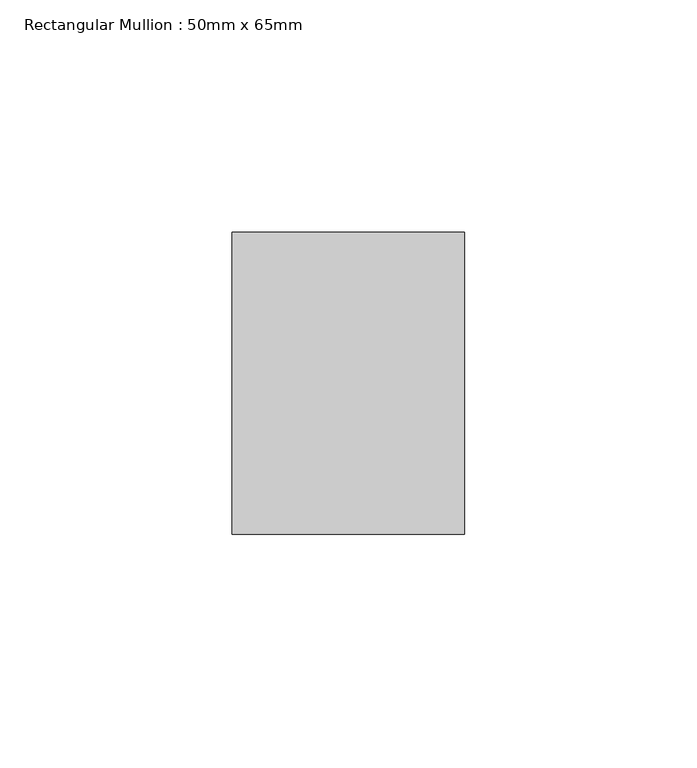
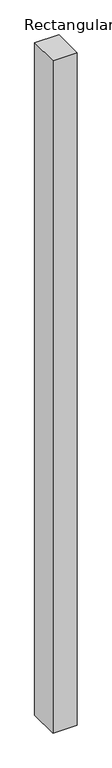
"""IFC4 building model written with IfcOpenShell, lengths in millimetres: member geometry, Rectangular Mullion : 50mm x 65mm."""

from ifc_helpers import new_model, si_unit, frame, origin, place, context, project, spatial, polyline, outline, extrude, source, transform, mapped, element, save


def rectangular_mullion_50mm_x_65mm_9a0edca6(model_context):
    return source(origin(), model_context, "Body", "SweptSolid", [
        extrude(outline(polyline([(25.0, 32.5), (25.0, -32.5), (-25.0, -32.5), (-25.0, 32.5), (25.0, 32.5)])), frame((0.0, 0.0, -1473.7161121), z_axis=(0.0, 0.0, 1.0), x_axis=(1.0, 0.0, 0.0)), (0.0, 0.0, 1.0), 1473.7161121),
    ])


if __name__ == "__main__":
    model = new_model("IFC4")
    model_context = context("Model", 3, world=origin())
    ifc_project = project(units=[si_unit("LENGTHUNIT", "METRE", prefix="MILLI")], contexts=[model_context])
    site = spatial("IfcSite", under=ifc_project)
    building = spatial("IfcBuilding", under=site)
    placement = place(None, origin())
    rectangular_mullion_50mm_x_65mm_shape = rectangular_mullion_50mm_x_65mm_9a0edca6(model_context)
    element("IfcMember", 1, ObjectType="Rectangular Mullion : 50mm x 65mm", at=placement, inside=building, context=model_context, shape_type="MappedRepresentation", body=[
        mapped(rectangular_mullion_50mm_x_65mm_shape, transform((0.0, 0.0, 0.0), x_axis=(1.0, 0.0, 0.0), y_axis=(0.0, 1.0, 0.0), z_axis=(0.0, 0.0, 1.0))),
    ])
    save(model, "model.ifc")
